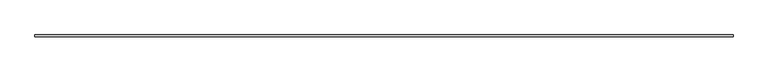
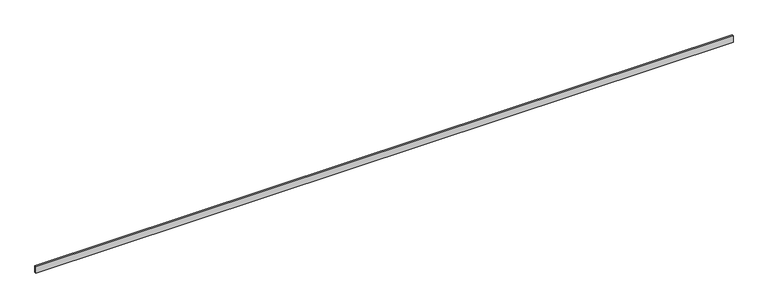
"""IFC4 building model written with IfcOpenShell, lengths in millimetres: beam geometry."""

from ifc_helpers import new_model, si_unit, frame, origin, place, context, project, spatial, polyline, outline, extrude, source, transform, mapped, element, save


def beam_3b834805(model_context):
    return source(origin(), model_context, "Body", "SweptSolid", [
        extrude(outline(polyline([(7391.4, -19.05), (-7391.4, -19.05), (-7391.4, 19.05), (7391.4, 19.05), (7391.4, -19.05)])), frame((0.0, 0.0, -69.85), z_axis=(0.0, 0.0, 1.0), x_axis=(1.0, 0.0, 0.0)), (0.0, 0.0, 1.0), 139.7),
    ])


if __name__ == "__main__":
    model = new_model("IFC4")
    model_context = context("Model", 3, world=origin())
    ifc_project = project(units=[si_unit("LENGTHUNIT", "METRE", prefix="MILLI")], contexts=[model_context])
    site = spatial("IfcSite", under=ifc_project)
    building = spatial("IfcBuilding", under=site)
    placement = place(None, origin())
    beam_shape = beam_3b834805(model_context)
    element("IfcBeam", 1, at=placement, inside=building, context=model_context, shape_type="MappedRepresentation", body=[
        mapped(beam_shape, transform((0.0, 0.0, 0.0), x_axis=(1.0, 0.0, 0.0), y_axis=(0.0, 1.0, 0.0), z_axis=(0.0, 0.0, 1.0))),
    ])
    save(model, "model.ifc")
